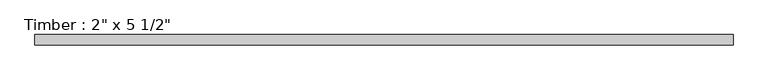
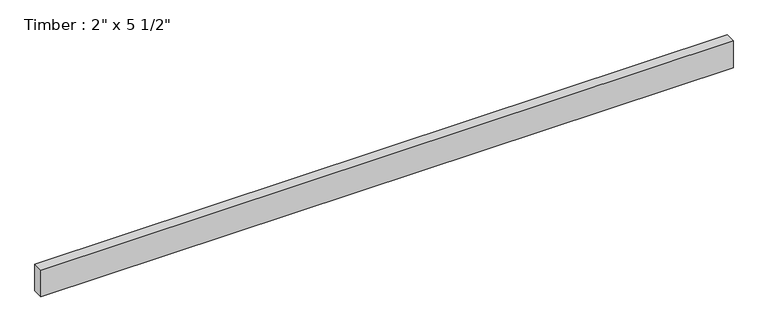
"""IFC4 building model written with IfcOpenShell, lengths in millimetres: beam geometry."""

import ifcopenshell
import ifcopenshell.guid

model = None  # the IFC model being written
_history = None  # IfcOwnerHistory: only IFC2X3 demands one
_inside = {}  # id of a spatial element -> (the spatial element, [elements in it])
_under = {}  # id of a project, library or spatial element -> (it, [spatial elements below it])
_declared = {}  # id of a project -> (the project, [libraries it declares])
_typed = {}  # id of a type object -> (the type object, [elements of that type])
_made_of = {}  # id of a material, layer set ... -> (it, [elements and type objects made of it])


def new_model(schema):
    """Start an empty IFC model of exactly this schema.

    Asked for "IFC4X3", IfcOpenShell would pick the latest addendum, in which some entities
    have other attributes; the version numbers below select the first issue.
    IFC2X3 requires an IfcOwnerHistory on every rooted entity: one is made here for all.
    """
    global model, _history
    if schema == "IFC4X3":
        model = ifcopenshell.file(schema_version=(4, 3, 0, 0))
    else:
        model = ifcopenshell.file(schema=schema)
    _inside.clear()
    _under.clear()
    _declared.clear()
    _typed.clear()
    _made_of.clear()
    _history = None
    if model.schema == "IFC2X3":
        org = make("IfcOrganization", Name="unknown")
        user = make(
            "IfcPersonAndOrganization",
            ThePerson=make("IfcPerson", FamilyName="unknown"),
            TheOrganization=org,
        )
        app = make(
            "IfcApplication",
            ApplicationDeveloper=org,
            Version="unknown",
            ApplicationFullName="unknown",
            ApplicationIdentifier="unknown",
        )
        _history = make(
            "IfcOwnerHistory",
            OwningUser=user,
            OwningApplication=app,
            ChangeAction="ADDED",
            CreationDate=0,
        )
    return model


def make(cls, **values):
    """One entity of the class cls with the attributes given. An attribute that is None is left unset."""
    return model.create_entity(
        cls, **{name: value for name, value in values.items() if value is not None}
    )


def rooted(cls, **values):
    """An entity with a GlobalId (a new one), such as an element, a storey or a relation."""
    return make(cls, GlobalId=ifcopenshell.guid.new(), OwnerHistory=_history, **values)


def si_unit(unit_type, name, prefix=None):
    """IfcSIUnit, for example si_unit("LENGTHUNIT", "METRE", prefix="MILLI")."""
    return make("IfcSIUnit", UnitType=unit_type, Prefix=prefix, Name=name)


def assignment(units):
    """IfcUnitAssignment: the units of a project."""
    return None if units is None else make("IfcUnitAssignment", Units=units)


def point(xyz):
    """IfcCartesianPoint."""
    return None if xyz is None else make("IfcCartesianPoint", Coordinates=xyz)


def direction(xyz):
    """IfcDirection."""
    return None if xyz is None else make("IfcDirection", DirectionRatios=xyz)


def frame(location, z_axis=None, x_axis=None):
    """IfcAxis2Placement3D, a coordinate frame: its origin and axes. An axis left out is left unset."""
    return make(
        "IfcAxis2Placement3D",
        Location=point(location),
        Axis=direction(z_axis),
        RefDirection=direction(x_axis),
    )


def origin():
    """The frame at (0, 0, 0) with its axes left unset."""
    return frame((0.0, 0.0, 0.0))


def place(relative_to, where):
    """IfcLocalPlacement: puts the frame where relative to a parent placement (None: the world)."""
    return make(
        "IfcLocalPlacement", PlacementRelTo=relative_to, RelativePlacement=where
    )


def context(
    kind, dimensions, precision=None, world=None, true_north=None, identifier=None
):
    """IfcGeometricRepresentationContext, for example the 3D "Model" context."""
    return make(
        "IfcGeometricRepresentationContext",
        ContextIdentifier=identifier,
        ContextType=kind,
        CoordinateSpaceDimension=dimensions,
        Precision=precision,
        WorldCoordinateSystem=world,
        TrueNorth=true_north,
    )


def project(units=None, contexts=None):
    """IfcProject with its units and contexts."""
    return rooted(
        "IfcProject",
        Name="project",
        RepresentationContexts=contexts,
        UnitsInContext=assignment(units),
    )


def spatial(cls, under=None, at=None, **own):
    """A site, building, storey or space (cls), placed at a placement, below another one or the project."""
    s = rooted(cls, ObjectPlacement=at, **own)
    if under is not None:
        _under.setdefault(under.id(), (under, []))[1].append(s)
    return s


def polyline(points):
    """IfcPolyline through the points."""
    return make("IfcPolyline", Points=[point(p) for p in points])


def outline(outer, holes=None, kind="AREA"):
    """IfcArbitraryClosedProfileDef: a profile drawn as a closed curve; with holes, ...WithVoids."""
    if holes is None:
        return make("IfcArbitraryClosedProfileDef", ProfileType=kind, OuterCurve=outer)
    return make(
        "IfcArbitraryProfileDefWithVoids",
        ProfileType=kind,
        OuterCurve=outer,
        InnerCurves=holes,
    )


def extrude(swept, where, along, depth):
    """IfcExtrudedAreaSolid: the profile swept, set in the frame where, extruded along a direction by depth."""
    return make(
        "IfcExtrudedAreaSolid",
        SweptArea=swept,
        Position=where,
        ExtrudedDirection=direction(along),
        Depth=depth,
    )


def shape(context_of_items, identifier, shape_type, items):
    """IfcShapeRepresentation: the items that make up one representation, for example the "Body"."""
    return make(
        "IfcShapeRepresentation",
        ContextOfItems=context_of_items,
        RepresentationIdentifier=identifier,
        RepresentationType=shape_type,
        Items=items,
    )


def source(mapping_origin, context_of_items, identifier, shape_type, items):
    """IfcRepresentationMap: a shape defined once, which mapped items show again and again."""
    return make(
        "IfcRepresentationMap",
        MappingOrigin=mapping_origin,
        MappedRepresentation=shape(context_of_items, identifier, shape_type, items),
    )


def transform(
    local_origin,
    x_axis=None,
    y_axis=None,
    z_axis=None,
    scale=None,
    scale2=None,
    scale3=None,
    uniform=True,
):
    """IfcCartesianTransformationOperator3D, or its non-uniform kind. x_axis, y_axis, z_axis: its Axis1, 2, 3."""
    if uniform:
        return make(
            "IfcCartesianTransformationOperator3D",
            Axis1=direction(x_axis),
            Axis2=direction(y_axis),
            LocalOrigin=point(local_origin),
            Scale=scale,
            Axis3=direction(z_axis),
        )
    return make(
        "IfcCartesianTransformationOperator3DnonUniform",
        Axis1=direction(x_axis),
        Axis2=direction(y_axis),
        LocalOrigin=point(local_origin),
        Scale=scale,
        Axis3=direction(z_axis),
        Scale2=scale2,
        Scale3=scale3,
    )


def mapped(mapping_source, mapping_target):
    """IfcMappedItem: shows the shape of a source again, moved by a transform."""
    return make(
        "IfcMappedItem", MappingSource=mapping_source, MappingTarget=mapping_target
    )


def made_of(thing, what):
    """Note that an element or type object is made of a material, layer set ...; save() writes the relation."""
    if what is not None:
        _made_of.setdefault(what.id(), (what, []))[1].append(thing)
    return thing


def element(
    cls,
    number,
    at=None,
    inside=None,
    cuts=None,
    type_object=None,
    material=None,
    context=None,
    identifier="Body",
    shape_type=None,
    held_by="IfcProductDefinitionShape",
    body=None,
    shapes=None,
    **own,
):
    """One element of the class cls, such as IfcWall. Its Tag is "e" and its number.

    at: its placement. inside: the storey or other place that contains it. cuts: it is an
    opening in that element (IfcRelVoidsElement). A single representation is given by context,
    identifier, shape_type and body (its items); several are given by shapes. held_by: the class
    of the entity that holds the representations. save() writes the other relations.
    """
    e = rooted(cls, Tag="e%d" % number, ObjectPlacement=at, **own)
    if body is not None:
        shapes = [shape(context, identifier, shape_type, body)]
    if shapes is not None:
        e.Representation = make(held_by, Representations=shapes)
    if inside is not None:
        _inside.setdefault(inside.id(), (inside, []))[1].append(e)
    if cuts is not None:
        rooted(
            "IfcRelVoidsElement", RelatingBuildingElement=cuts, RelatedOpeningElement=e
        )
    if type_object is not None:
        _typed.setdefault(type_object.id(), (type_object, []))[1].append(e)
    return made_of(e, material)


def aggregate(whole, parts):
    """IfcRelAggregates: a whole, such as a stair, and the parts it consists of."""
    return rooted("IfcRelAggregates", RelatingObject=whole, RelatedObjects=parts)


def save(model, path):
    """Write the relations noted so far, then the file.

    IfcRelAggregates (storeys below a building ...), IfcRelContainedInSpatialStructure (elements
    in a storey), IfcRelDefinesByType, IfcRelAssociatesMaterial and IfcRelDeclares: one each for
    every whole, place, type object, material and project.
    """
    for whole, parts in _under.values():
        aggregate(whole, parts)
    for where, things in _inside.values():
        rooted(
            "IfcRelContainedInSpatialStructure",
            RelatedElements=things,
            RelatingStructure=where,
        )
    for kind, things in _typed.values():
        rooted("IfcRelDefinesByType", RelatedObjects=things, RelatingType=kind)
    for what, things in _made_of.values():
        rooted("IfcRelAssociatesMaterial", RelatedObjects=things, RelatingMaterial=what)
    for by, libraries in _declared.values():
        rooted("IfcRelDeclares", RelatingContext=by, RelatedDefinitions=libraries)
    model.write(path)


def beam_246dcb05(model_context):
    return source(origin(), model_context, "Body", "SweptSolid", [
        extrude(outline(polyline([(1704.3792138, 25.4), (1704.3792138, -25.4), (-1704.3792138, -25.4), (-1704.3792138, 25.4), (1704.3792138, 25.4)])), frame((0.0, 0.0, -69.85), z_axis=(0.0, 0.0, 1.0), x_axis=(1.0, 0.0, 0.0)), (0.0, 0.0, 1.0), 139.7),
    ])


if __name__ == "__main__":
    model = new_model("IFC4")
    model_context = context("Model", 3, world=origin())
    ifc_project = project(units=[si_unit("LENGTHUNIT", "METRE", prefix="MILLI")], contexts=[model_context])
    site = spatial("IfcSite", under=ifc_project)
    building = spatial("IfcBuilding", under=site)
    placement = place(None, origin())
    beam_shape = beam_246dcb05(model_context)
    element("IfcBeam", 1, ObjectType="Timber : 2\" x 5 1/2\"", at=placement, inside=building, context=model_context, shape_type="MappedRepresentation", body=[
        mapped(beam_shape, transform((0.0, 0.0, 0.0), x_axis=(1.0, 0.0, 0.0), y_axis=(0.0, 1.0, 0.0), z_axis=(0.0, 0.0, 1.0))),
    ])
    save(model, "model.ifc")
